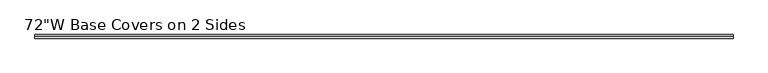
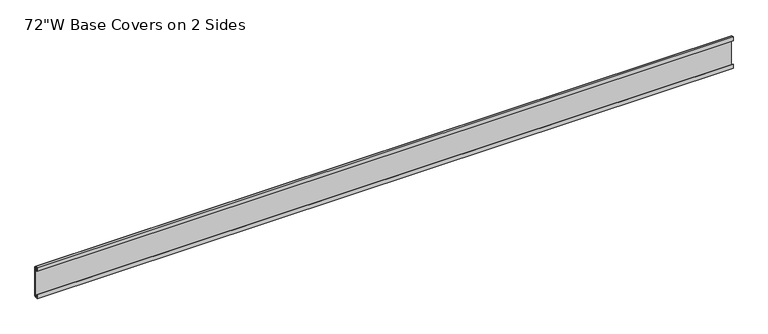
"""IFC4 building model written with IfcOpenShell, lengths in millimetres: furniture geometry."""

from ifc_helpers import new_model, si_unit, frame, origin, place, context, project, spatial, polyline, outline, extrude, source, transform, mapped, element, save


def furniture_0f433ec4(model_context):
    return source(origin(), model_context, "Body", "SweptSolid", [
        extrude(outline(polyline([(29.5671875, 104.2233438), (35.9171874, 104.2233438), (39.0921875, 101.0285018), (39.0921875, 20.3835004), (35.917184, 17.2085), (29.5671875, 17.2085), (29.5671875, 28.0035022), (30.3609375, 28.0035022), (30.3609375, 18.0022534), (35.9171874, 18.0022534), (38.2984375, 20.3835035), (38.2984375, 101.0284987), (35.9171874, 103.4295938), (30.3609375, 103.4295938), (30.3609375, 93.4085), (29.5671875, 93.4085), (29.5671875, 104.2233438)])), frame((-913.209375, 0.0, 0.0), z_axis=(1.0, 0.0, 0.0), x_axis=(0.0, 1.0, 0.0)), (0.0, 0.0, 1.0), 1826.41875),
    ])


if __name__ == "__main__":
    model = new_model("IFC4")
    model_context = context("Model", 3, world=origin())
    ifc_project = project(units=[si_unit("LENGTHUNIT", "METRE", prefix="MILLI")], contexts=[model_context])
    site = spatial("IfcSite", under=ifc_project)
    building = spatial("IfcBuilding", under=site)
    placement = place(None, origin())
    furniture_shape = furniture_0f433ec4(model_context)
    element("IfcFurniture", 1, ObjectType="72\"W Base Covers on 2 Sides", at=placement, inside=building, context=model_context, shape_type="MappedRepresentation", body=[
        mapped(furniture_shape, transform((0.0, 0.0, 0.0), x_axis=(1.0, 0.0, 0.0), y_axis=(0.0, 1.0, 0.0), z_axis=(0.0, 0.0, 1.0))),
    ])
    save(model, "model.ifc")
